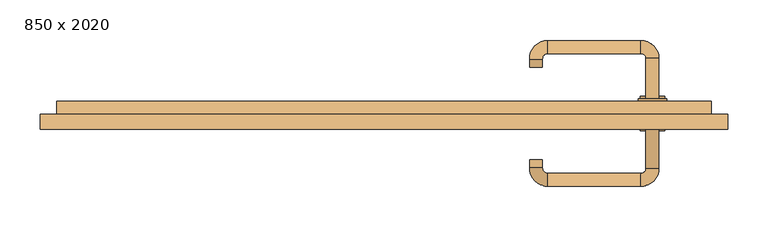
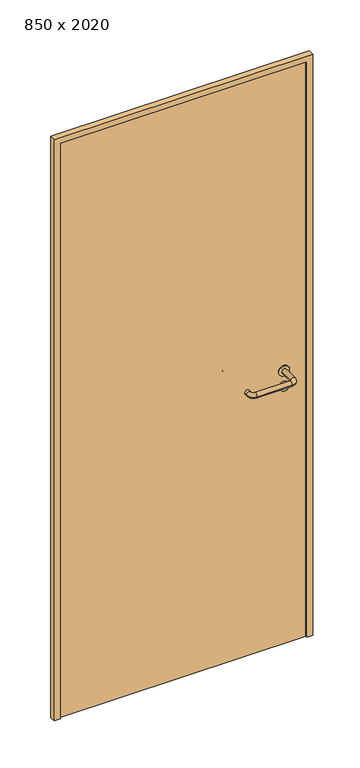
"""IFC4 building model written with IfcOpenShell, lengths in millimetres: door geometry, 850 x 2020."""

from ifc_helpers import new_model, si_unit, point, frame, frame_2d, origin, origin_with_axes, place, context, project, spatial, polyline, circle_curve, ellipse_curve, trimmed, segment, composite_curve, outline, extrude, source, transform, mapped, element, save
from ifc_brep_helpers import plane_surface, cylinder_surface, revolved_surface, advanced_brep


def door_850_x_2020_e61079bc(model_context):
    return source(origin(), model_context, "Body", "SolidModel", [
        extrude(outline(composite_curve([segment(trimmed(circle_curve(frame_2d((897.3605726, 332.0)), 15.0), [point((897.3605726, 347.0))], [point((897.3605726, 317.0))], False, "CARTESIAN"), True, "CONTINUOUS"), segment(trimmed(circle_curve(frame_2d((897.3605726, 332.0)), 15.0), [point((897.3605726, 317.0))], [point((897.3605726, 347.0))], False, "CARTESIAN"), True, "CONTINUOUS")], self_intersect=False), holes=[composite_curve([segment(trimmed(circle_curve(frame_2d((892.5833211, 331.9398032)), 2.0), [point((892.5833211, 333.9398032))], [point((892.5833211, 329.9398032))], True, "CARTESIAN"), True, "CONTINUOUS"), segment(polyline([(892.5833211, 329.9398032), (902.5833211, 329.9398032)]), True, "CONTINUOUS"), segment(trimmed(circle_curve(frame_2d((902.5833211, 331.9398032)), 2.0), [point((902.5833211, 329.9398032))], [point((902.5833211, 333.9398032))], True, "CARTESIAN"), True, "CONTINUOUS"), segment(polyline([(902.5833211, 333.9398032), (892.5833211, 333.9398032)]), True, "CONTINUOUS")], self_intersect=False)]), frame((0.0, 25.0, 0.0), z_axis=(0.0, 1.0, 0.0), x_axis=(0.0, 0.0, 1.0)), (0.0, 0.0, 1.0), 6.35),
        extrude(outline(composite_curve([segment(trimmed(circle_curve(frame_2d((950.0, 332.0)), 17.526), [point((950.0, 349.526))], [point((950.0, 314.474))], False, "CARTESIAN"), True, "CONTINUOUS"), segment(trimmed(circle_curve(frame_2d((950.0, 332.0)), 17.526), [point((950.0, 314.474))], [point((950.0, 349.526))], False, "CARTESIAN"), True, "CONTINUOUS")], self_intersect=False)), frame((0.0, 25.0, 0.0), z_axis=(0.0, 1.0, 0.0), x_axis=(0.0, 0.0, 1.0)), (0.0, 0.0, 1.0), 3.175),
        advanced_brep(
        [(340.0, 25.0, 950.0), (324.0, 25.0, 950.0), (340.0, 78.0, 950.0), (324.0, 78.0, 950.0), (317.8578644, 84.1421356, 950.0), (317.8578644, 100.1421356, 950.0), (202.8578644, 100.1421356, 950.0), (202.8578644, 84.1421356, 950.0), (196.008622, 77.2928932, 950.0), (180.008622, 77.2928932, 950.0), (180.008622, 67.2928932, 950.0), (196.008622, 67.2928932, 950.0)],
        [
            (0, 1, circle_curve(frame((332.0, 25.0, 950.0), z_axis=(0.0, -1.0, 0.0), x_axis=(-1.0, 0.0, 0.0)), 8.0)),
            (1, 0, circle_curve(frame((332.0, 25.0, 950.0), z_axis=(0.0, -1.0, 0.0), x_axis=(-1.0, 0.0, 0.0)), 8.0)),
            (0, 2),
            (2, 3, circle_curve(frame((332.0, 78.0, 950.0), z_axis=(0.0, -1.0, 0.0), x_axis=(-1.0, 0.0, 0.0)), 8.0)),
            (3, 1),
            (3, 2, circle_curve(frame((332.0, 78.0, 950.0), z_axis=(0.0, -1.0, 0.0), x_axis=(-1.0, 0.0, 0.0)), 8.0)),
            (4, 3, circle_curve(frame((317.8578644, 78.0, 950.0), z_axis=(0.0, 0.0, -1.0), x_axis=(1.0, 0.0, 0.0)), 6.1421356)),
            (2, 5, circle_curve(frame((317.8578644, 78.0, 950.0), z_axis=(0.0, 0.0, 1.0), x_axis=(1.0, 0.0, 0.0)), 22.1421356)),
            (5, 4, circle_curve(frame((317.8578644, 92.1421356, 950.0), z_axis=(1.0, 0.0, 0.0), x_axis=(0.0, -1.0, 0.0)), 8.0)),
            (4, 5, circle_curve(frame((317.8578644, 92.1421356, 950.0), z_axis=(1.0, 0.0, 0.0), x_axis=(0.0, -1.0, 0.0)), 8.0)),
            (5, 6),
            (6, 7, circle_curve(frame((202.8578644, 92.1421356, 950.0), z_axis=(1.0, 0.0, 0.0), x_axis=(0.0, -1.0, 0.0)), 8.0)),
            (7, 4),
            (7, 6, circle_curve(frame((202.8578644, 92.1421356, 950.0), z_axis=(1.0, 0.0, 0.0), x_axis=(0.0, -1.0, 0.0)), 8.0)),
            (8, 7, circle_curve(frame((202.8578644, 77.2928932, 950.0), z_axis=(0.0, 0.0, -1.0), x_axis=(0.0, 1.0, 0.0)), 6.8492424)),
            (6, 9, circle_curve(frame((202.8578644, 77.2928932, 950.0), z_axis=(0.0, 0.0, 1.0), x_axis=(0.0, 1.0, 0.0)), 22.8492424)),
            (9, 8, circle_curve(frame((188.008622, 77.2928932, 950.0), z_axis=(0.0, 1.0, 0.0), x_axis=(1.0, 0.0, 0.0)), 8.0)),
            (8, 9, circle_curve(frame((188.008622, 77.2928932, 950.0), z_axis=(0.0, 1.0, 0.0), x_axis=(1.0, 0.0, 0.0)), 8.0)),
            (10, 11, circle_curve(frame((188.008622, 67.2928932, 950.0), z_axis=(0.0, -1.0, 0.0), x_axis=(1.0, 0.0, 0.0)), 8.0)),
            (11, 10, circle_curve(frame((188.008622, 67.2928932, 950.0), z_axis=(0.0, -1.0, 0.0), x_axis=(1.0, 0.0, 0.0)), 8.0)),
            (9, 10),
            (11, 8),
        ],
        [
            plane_surface(frame((332.0, 25.0, 0.0), z_axis=(0.0, -1.0, 0.0), x_axis=(0.0, 0.0, 1.0))),
            cylinder_surface(frame((332.0, 25.0, 950.0), z_axis=(0.0, -1.0, 0.0), x_axis=(-1.0, 0.0, 0.0)), 8.0),
            revolved_surface(trimmed(ellipse_curve(frame((332.0, 78.0, 950.0), z_axis=(0.0, -1.0, 0.0), x_axis=(-1.0, 0.0, 0.0)), 8.0, 8.0), [point((340.0, 78.0, 950.0))], [point((324.0, 78.0, 950.0))], True, "CARTESIAN"), (317.8578644, 78.0, 0.0), (0.0, 0.0, 1.0)),
            revolved_surface(trimmed(ellipse_curve(frame((332.0, 78.0, 950.0), z_axis=(0.0, -1.0, 0.0), x_axis=(-1.0, 0.0, 0.0)), 8.0, 8.0), [point((324.0, 78.0, 950.0))], [point((340.0, 78.0, 950.0))], True, "CARTESIAN"), (317.8578644, 78.0, 0.0), (0.0, 0.0, 1.0)),
            cylinder_surface(frame((317.8578644, 92.1421356, 950.0), z_axis=(1.0, 0.0, 0.0), x_axis=(0.0, -1.0, 0.0)), 8.0),
            revolved_surface(trimmed(ellipse_curve(frame((202.8578644, 92.1421356, 950.0), z_axis=(1.0, 0.0, 0.0), x_axis=(0.0, -1.0, 0.0)), 8.0, 8.0), [point((202.8578644, 100.1421356, 950.0))], [point((202.8578644, 84.1421356, 950.0))], True, "CARTESIAN"), (202.8578644, 77.2928932, 0.0), (0.0, 0.0, 1.0)),
            revolved_surface(trimmed(ellipse_curve(frame((202.8578644, 92.1421356, 950.0), z_axis=(1.0, 0.0, 0.0), x_axis=(0.0, -1.0, 0.0)), 8.0, 8.0), [point((202.8578644, 84.1421356, 950.0))], [point((202.8578644, 100.1421356, 950.0))], True, "CARTESIAN"), (202.8578644, 77.2928932, 0.0), (0.0, 0.0, 1.0)),
            plane_surface(frame((188.008622, 67.2928932, 0.0), z_axis=(0.0, -1.0, 0.0), x_axis=(0.0, 0.0, 1.0))),
            cylinder_surface(frame((188.008622, 77.2928932, 950.0), z_axis=(0.0, 1.0, 0.0), x_axis=(1.0, 0.0, 0.0)), 8.0),
        ],
        [
            (0, [[1, 2]]),
            (1, [[-1, 3, 4, 5]]),
            (1, [[-2, -5, 6, -3]]),
            (2, [[7, -4, 8, 9]]),
            (3, [[-8, -6, -7, 10]]),
            (4, [[-9, 11, 12, 13]]),
            (4, [[-10, -13, 14, -11]]),
            (5, [[15, -12, 16, 17]]),
            (6, [[-16, -14, -15, 18]]),
            (7, [[19, 20]]),
            (8, [[-17, 21, -20, 22]]),
            (8, [[-18, -22, -19, -21]]),
        ],
    ),
        extrude(outline(composite_curve([segment(trimmed(circle_curve(frame_2d((0.0, 15.0)), 15.0), [point((0.0, 30.0))], [point((0.0, 0.0))], False, "CARTESIAN"), True, "CONTINUOUS"), segment(trimmed(circle_curve(frame_2d((0.0, 15.0)), 15.0), [point((0.0, 0.0))], [point((0.0, 30.0))], False, "CARTESIAN"), True, "CONTINUOUS")], self_intersect=False), holes=[composite_curve([segment(trimmed(circle_curve(frame_2d((-4.7772515, 14.9398032)), 2.0), [point((-4.7772515, 16.9398032))], [point((-4.7772515, 12.9398032))], True, "CARTESIAN"), True, "CONTINUOUS"), segment(polyline([(-4.7772515, 12.9398032), (5.2227485, 12.9398032)]), True, "CONTINUOUS"), segment(trimmed(circle_curve(frame_2d((5.2227485, 14.9398032)), 2.0), [point((5.2227485, 12.9398032))], [point((5.2227485, 16.9398032))], True, "CARTESIAN"), True, "CONTINUOUS"), segment(polyline([(5.2227485, 16.9398032), (-4.7772515, 16.9398032)]), True, "CONTINUOUS")], self_intersect=False)]), frame((317.0, -11.35, 897.3605726), z_axis=(-1.8870575173328306e-12, 1.0, 0.0), x_axis=(0.0, 0.0, 1.0)), (0.0, 0.0, 1.0), 6.35),
        extrude(outline(composite_curve([segment(trimmed(circle_curve(frame_2d((0.0, 17.526)), 17.526), [point((0.0, 35.052))], [point((0.0, 0.0))], False, "CARTESIAN"), True, "CONTINUOUS"), segment(trimmed(circle_curve(frame_2d((0.0, 17.526)), 17.526), [point((0.0, 0.0))], [point((0.0, 35.052))], False, "CARTESIAN"), True, "CONTINUOUS")], self_intersect=False)), frame((314.474, -8.175, 950.0), z_axis=(-1.8870575173328306e-12, 1.0, 0.0), x_axis=(0.0, 0.0, 1.0)), (0.0, 0.0, 1.0), 3.175),
        advanced_brep(
        [(340.0, -5.0, 950.0), (324.0, -5.0, 950.0), (324.0, -58.0, 950.0), (340.0, -58.0, 950.0), (317.8578644, -64.1421356, 950.0), (317.8578644, -80.1421356, 950.0), (202.8578644, -64.1421356, 950.0), (202.8578644, -80.1421356, 950.0), (196.008622, -57.2928932, 950.0), (180.008622, -57.2928932, 950.0), (180.008622, -47.2928932, 950.0), (196.008622, -47.2928932, 950.0)],
        [
            (0, 1, circle_curve(frame((332.0, -5.0, 950.0), z_axis=(-1.888672253512351e-12, 1.0, 0.0), x_axis=(-1.0, -1.888672253512351e-12, 0.0)), 8.0)),
            (1, 0, circle_curve(frame((332.0, -5.0, 950.0), z_axis=(-1.888672253512351e-12, 1.0, 0.0), x_axis=(-1.0, -1.888672253512351e-12, 0.0)), 8.0)),
            (1, 2),
            (2, 3, circle_curve(frame((332.0, -58.0, 950.0), z_axis=(-1.888672253512351e-12, 1.0, 0.0), x_axis=(-1.0, -1.888672253512351e-12, 0.0)), 8.0)),
            (3, 0),
            (3, 2, circle_curve(frame((332.0, -58.0, 950.0), z_axis=(-1.888672253512351e-12, 1.0, 0.0), x_axis=(-1.0, -1.888672253512351e-12, 0.0)), 8.0)),
            (4, 5, circle_curve(frame((317.8578644, -72.1421356, 950.0), z_axis=(1.0, 1.913702061528922e-12, 0.0), x_axis=(-1.913702061528922e-12, 1.0, 0.0)), 8.0)),
            (5, 3, circle_curve(frame((317.8578644, -58.0, 950.0), z_axis=(0.0, 0.0, 1.0), x_axis=(1.0, 1.880717803715015e-12, 0.0)), 22.1421356)),
            (2, 4, circle_curve(frame((317.8578644, -58.0, 950.0), z_axis=(0.0, 0.0, -1.0), x_axis=(1.0, 1.880717803715015e-12, 0.0)), 6.1421356)),
            (5, 4, circle_curve(frame((317.8578644, -72.1421356, 950.0), z_axis=(1.0, 1.913702061528922e-12, 0.0), x_axis=(-1.913702061528922e-12, 1.0, 0.0)), 8.0)),
            (4, 6),
            (6, 7, circle_curve(frame((202.8578644, -72.1421356, 950.0), z_axis=(1.0, 1.913719828541269e-12, 0.0), x_axis=(-1.913719828541269e-12, 1.0, 0.0)), 8.0)),
            (7, 5),
            (7, 6, circle_curve(frame((202.8578644, -72.1421356, 950.0), z_axis=(1.0, 1.913719828541269e-12, 0.0), x_axis=(-1.913719828541269e-12, 1.0, 0.0)), 8.0)),
            (8, 9, circle_curve(frame((188.008622, -57.2928932, 950.0), z_axis=(1.8888942981172756e-12, -1.0, 0.0), x_axis=(1.0, 1.8888942981172756e-12, 0.0)), 8.0)),
            (9, 7, circle_curve(frame((202.8578644, -57.2928932, 950.0), z_axis=(0.0, 0.0, 1.0), x_axis=(1.9120873253494017e-12, -1.0, 0.0)), 22.8492424)),
            (6, 8, circle_curve(frame((202.8578644, -57.2928932, 950.0), z_axis=(0.0, 0.0, -1.0), x_axis=(1.9120873253494017e-12, -1.0, 0.0)), 6.8492424)),
            (9, 8, circle_curve(frame((188.008622, -57.2928932, 950.0), z_axis=(1.890448610351751e-12, -1.0, 0.0), x_axis=(1.0, 1.890448610351751e-12, 0.0)), 8.0)),
            (10, 11, circle_curve(frame((188.008622, -47.2928932, 950.0), z_axis=(-1.8903642334018795e-12, 1.0, 0.0), x_axis=(1.0, 1.8903642334018795e-12, 0.0)), 8.0)),
            (11, 10, circle_curve(frame((188.008622, -47.2928932, 950.0), z_axis=(-1.8903642334018795e-12, 1.0, 0.0), x_axis=(1.0, 1.8903642334018795e-12, 0.0)), 8.0)),
            (8, 11),
            (10, 9),
        ],
        [
            plane_surface(frame((332.0, -5.0, 0.0), z_axis=(-1.8870575173328306e-12, 1.0, 0.0), x_axis=(0.0, 0.0, 1.0))),
            cylinder_surface(frame((332.0, -5.0, 950.0), z_axis=(-1.888672253512351e-12, 1.0, 0.0), x_axis=(-1.0, -1.888672253512351e-12, 0.0)), 8.0),
            revolved_surface(trimmed(ellipse_curve(frame((332.0, -58.0, 950.0), z_axis=(1.8823325398945356e-12, -1.0, 0.0), x_axis=(-1.0, -1.8823325398945356e-12, 0.0)), 8.0, 8.0), [point((340.0, -58.0, 950.0))], [point((324.0, -58.0, 950.0))], True, "CARTESIAN"), (317.8578644, -58.0, 0.0), (0.0, 0.0, 1.0)),
            revolved_surface(trimmed(ellipse_curve(frame((332.0, -58.0, 950.0), z_axis=(1.8823325398945356e-12, -1.0, 0.0), x_axis=(-1.0, -1.8823325398945356e-12, 0.0)), 8.0, 8.0), [point((324.0, -58.0, 950.0))], [point((340.0, -58.0, 950.0))], True, "CARTESIAN"), (317.8578644, -58.0, 0.0), (0.0, 0.0, 1.0)),
            cylinder_surface(frame((317.8578644, -72.1421356, 950.0), z_axis=(1.0, 1.913719828541269e-12, 0.0), x_axis=(-1.913719828541269e-12, 1.0, 0.0)), 8.0),
            revolved_surface(trimmed(ellipse_curve(frame((202.8578644, -72.1421356, 950.0), z_axis=(-1.0, -1.913702061528922e-12, 0.0), x_axis=(-1.913702061528922e-12, 1.0, 0.0)), 8.0, 8.0), [point((202.8578644, -80.1421356, 950.0))], [point((202.8578644, -64.1421356, 950.0))], True, "CARTESIAN"), (202.8578644, -57.2928932, 0.0), (0.0, 0.0, 1.0)),
            revolved_surface(trimmed(ellipse_curve(frame((202.8578644, -72.1421356, 950.0), z_axis=(-1.0, -1.913702061528922e-12, 0.0), x_axis=(-1.913702061528922e-12, 1.0, 0.0)), 8.0, 8.0), [point((202.8578644, -64.1421356, 950.0))], [point((202.8578644, -80.1421356, 950.0))], True, "CARTESIAN"), (202.8578644, -57.2928932, 0.0), (0.0, 0.0, 1.0)),
            plane_surface(frame((188.008622, -47.2928932, 0.0), z_axis=(-1.8887494972223595e-12, 1.0, 0.0), x_axis=(0.0, 0.0, 1.0))),
            cylinder_surface(frame((188.008622, -57.2928932, 950.0), z_axis=(1.8903642334018795e-12, -1.0, 0.0), x_axis=(1.0, 1.8903642334018795e-12, 0.0)), 8.0),
        ],
        [
            (0, [[1, 2]]),
            (1, [[3, 4, 5, -2]]),
            (1, [[-5, 6, -3, -1]]),
            (2, [[7, 8, -4, 9]]),
            (3, [[10, -9, -6, -8]]),
            (4, [[11, 12, 13, -7]]),
            (4, [[-13, 14, -11, -10]]),
            (5, [[15, 16, -12, 17]]),
            (6, [[18, -17, -14, -16]]),
            (7, [[19, 20]]),
            (8, [[21, -19, 22, -15]]),
            (8, [[-22, -20, -21, -18]]),
        ],
    ),
        extrude(outline(polyline([(2000.0, 405.0), (0.0, 405.0), (0.0, 425.0), (2020.0, 425.0), (2020.0, -425.0), (0.0, -425.0), (0.0, -405.0), (2000.0, -405.0), (2000.0, 405.0)])), frame((0.0, -10.0, 0.0), z_axis=(0.0, 1.0, 0.0), x_axis=(0.0, 0.0, 1.0)), (0.0, 0.0, 1.0), 19.0),
        extrude(outline(polyline([(-405.0, -5.0), (-405.0, 25.0), (405.0, 25.0), (405.0, -5.0), (-405.0, -5.0)])), origin_with_axes(), (0.0, 0.0, 1.0), 2000.0),
    ])


if __name__ == "__main__":
    model = new_model("IFC4")
    model_context = context("Model", 3, world=origin())
    ifc_project = project(units=[si_unit("LENGTHUNIT", "METRE", prefix="MILLI")], contexts=[model_context])
    site = spatial("IfcSite", under=ifc_project)
    building = spatial("IfcBuilding", under=site)
    placement = place(None, origin())
    door_850_x_2020_shape = door_850_x_2020_e61079bc(model_context)
    element("IfcDoor", 1, ObjectType="850 x 2020", at=placement, inside=building, context=model_context, shape_type="MappedRepresentation", body=[
        mapped(door_850_x_2020_shape, transform((0.0, 0.0, 0.0), x_axis=(1.0, 0.0, 0.0), y_axis=(0.0, 1.0, 0.0), z_axis=(0.0, 0.0, 1.0))),
    ])
    save(model, "model.ifc")
